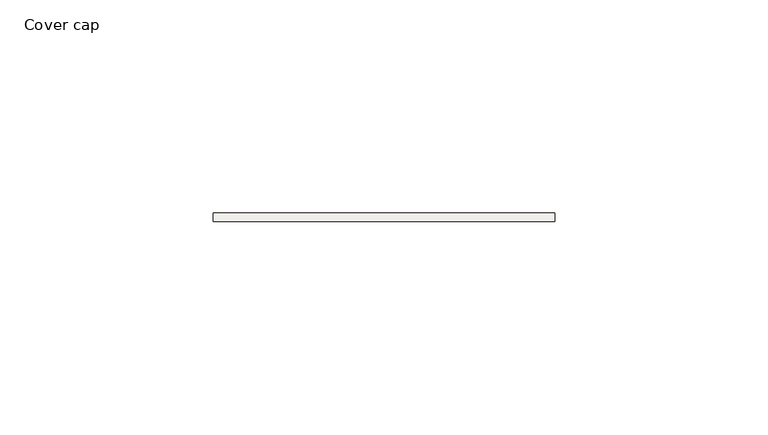
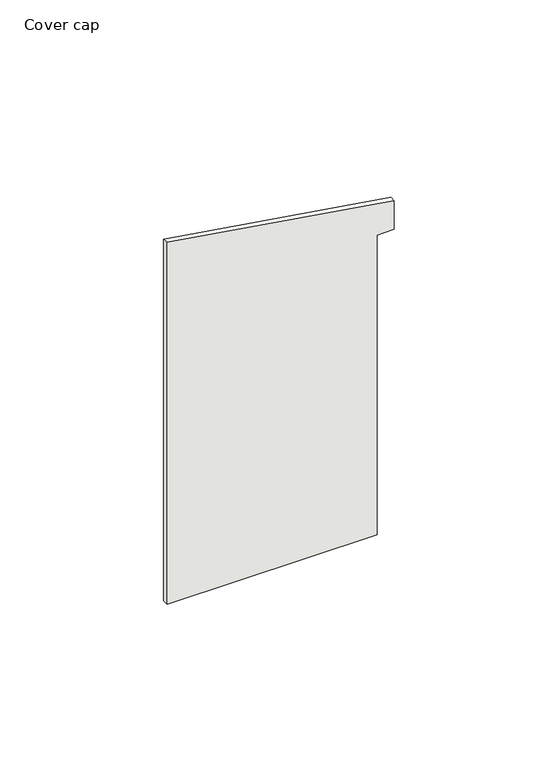
"""IFC4 building model written with IfcOpenShell, lengths in millimetres: covering geometry, Cover cap."""

from ifc_helpers import new_model, si_unit, frame, origin, place, context, project, spatial, polyline, outline, extrude, source, transform, mapped, element, save


def cover_cap_2441fae6(model_context):
    return source(origin(), model_context, "Body", "SweptSolid", [
        extrude(outline(polyline([(132.7051053, -7.0), (-2.0, -7.0), (-2.0, 67.0), (109.5, 67.0), (109.5, 73.0), (120.2855349, 73.0), (132.7051053, -7.0)])), frame((0.0, -2.0, 0.0), z_axis=(0.0, 1.0, 0.0), x_axis=(0.0, 0.0, 1.0)), (0.0, 0.0, 1.0), 2.0),
    ])


if __name__ == "__main__":
    model = new_model("IFC4")
    model_context = context("Model", 3, world=origin())
    ifc_project = project(units=[si_unit("LENGTHUNIT", "METRE", prefix="MILLI")], contexts=[model_context])
    site = spatial("IfcSite", under=ifc_project)
    building = spatial("IfcBuilding", under=site)
    placement = place(None, origin())
    cover_cap_shape = cover_cap_2441fae6(model_context)
    element("IfcCovering", 1, ObjectType="Cover cap", at=placement, inside=building, context=model_context, shape_type="MappedRepresentation", body=[
        mapped(cover_cap_shape, transform((0.0, 0.0, 0.0), x_axis=(1.0, 0.0, 0.0), y_axis=(0.0, 1.0, 0.0), z_axis=(0.0, 0.0, 1.0))),
    ])
    save(model, "model.ifc")
